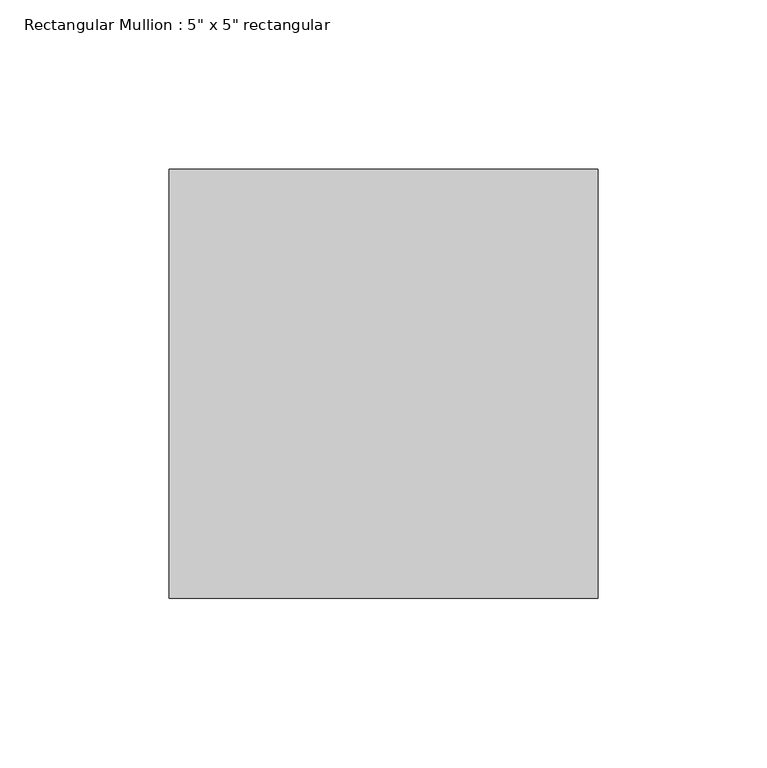
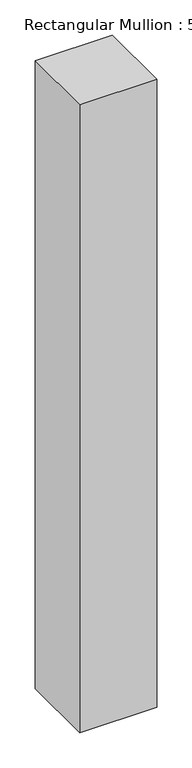
"""IFC4 building model written with IfcOpenShell, lengths in millimetres: member geometry."""

import ifcopenshell
import ifcopenshell.guid

model = None  # the IFC model being written
_history = None  # IfcOwnerHistory: only IFC2X3 demands one
_inside = {}  # id of a spatial element -> (the spatial element, [elements in it])
_under = {}  # id of a project, library or spatial element -> (it, [spatial elements below it])
_declared = {}  # id of a project -> (the project, [libraries it declares])
_typed = {}  # id of a type object -> (the type object, [elements of that type])
_made_of = {}  # id of a material, layer set ... -> (it, [elements and type objects made of it])


def new_model(schema):
    """Start an empty IFC model of exactly this schema.

    Asked for "IFC4X3", IfcOpenShell would pick the latest addendum, in which some entities
    have other attributes; the version numbers below select the first issue.
    IFC2X3 requires an IfcOwnerHistory on every rooted entity: one is made here for all.
    """
    global model, _history
    if schema == "IFC4X3":
        model = ifcopenshell.file(schema_version=(4, 3, 0, 0))
    else:
        model = ifcopenshell.file(schema=schema)
    _inside.clear()
    _under.clear()
    _declared.clear()
    _typed.clear()
    _made_of.clear()
    _history = None
    if model.schema == "IFC2X3":
        org = make("IfcOrganization", Name="unknown")
        user = make(
            "IfcPersonAndOrganization",
            ThePerson=make("IfcPerson", FamilyName="unknown"),
            TheOrganization=org,
        )
        app = make(
            "IfcApplication",
            ApplicationDeveloper=org,
            Version="unknown",
            ApplicationFullName="unknown",
            ApplicationIdentifier="unknown",
        )
        _history = make(
            "IfcOwnerHistory",
            OwningUser=user,
            OwningApplication=app,
            ChangeAction="ADDED",
            CreationDate=0,
        )
    return model


def make(cls, **values):
    """One entity of the class cls with the attributes given. An attribute that is None is left unset."""
    return model.create_entity(
        cls, **{name: value for name, value in values.items() if value is not None}
    )


def rooted(cls, **values):
    """An entity with a GlobalId (a new one), such as an element, a storey or a relation."""
    return make(cls, GlobalId=ifcopenshell.guid.new(), OwnerHistory=_history, **values)


def si_unit(unit_type, name, prefix=None):
    """IfcSIUnit, for example si_unit("LENGTHUNIT", "METRE", prefix="MILLI")."""
    return make("IfcSIUnit", UnitType=unit_type, Prefix=prefix, Name=name)


def assignment(units):
    """IfcUnitAssignment: the units of a project."""
    return None if units is None else make("IfcUnitAssignment", Units=units)


def point(xyz):
    """IfcCartesianPoint."""
    return None if xyz is None else make("IfcCartesianPoint", Coordinates=xyz)


def direction(xyz):
    """IfcDirection."""
    return None if xyz is None else make("IfcDirection", DirectionRatios=xyz)


def frame(location, z_axis=None, x_axis=None):
    """IfcAxis2Placement3D, a coordinate frame: its origin and axes. An axis left out is left unset."""
    return make(
        "IfcAxis2Placement3D",
        Location=point(location),
        Axis=direction(z_axis),
        RefDirection=direction(x_axis),
    )


def origin():
    """The frame at (0, 0, 0) with its axes left unset."""
    return frame((0.0, 0.0, 0.0))


def place(relative_to, where):
    """IfcLocalPlacement: puts the frame where relative to a parent placement (None: the world)."""
    return make(
        "IfcLocalPlacement", PlacementRelTo=relative_to, RelativePlacement=where
    )


def context(
    kind, dimensions, precision=None, world=None, true_north=None, identifier=None
):
    """IfcGeometricRepresentationContext, for example the 3D "Model" context."""
    return make(
        "IfcGeometricRepresentationContext",
        ContextIdentifier=identifier,
        ContextType=kind,
        CoordinateSpaceDimension=dimensions,
        Precision=precision,
        WorldCoordinateSystem=world,
        TrueNorth=true_north,
    )


def project(units=None, contexts=None):
    """IfcProject with its units and contexts."""
    return rooted(
        "IfcProject",
        Name="project",
        RepresentationContexts=contexts,
        UnitsInContext=assignment(units),
    )


def spatial(cls, under=None, at=None, **own):
    """A site, building, storey or space (cls), placed at a placement, below another one or the project."""
    s = rooted(cls, ObjectPlacement=at, **own)
    if under is not None:
        _under.setdefault(under.id(), (under, []))[1].append(s)
    return s


def polyline(points):
    """IfcPolyline through the points."""
    return make("IfcPolyline", Points=[point(p) for p in points])


def outline(outer, holes=None, kind="AREA"):
    """IfcArbitraryClosedProfileDef: a profile drawn as a closed curve; with holes, ...WithVoids."""
    if holes is None:
        return make("IfcArbitraryClosedProfileDef", ProfileType=kind, OuterCurve=outer)
    return make(
        "IfcArbitraryProfileDefWithVoids",
        ProfileType=kind,
        OuterCurve=outer,
        InnerCurves=holes,
    )


def extrude(swept, where, along, depth):
    """IfcExtrudedAreaSolid: the profile swept, set in the frame where, extruded along a direction by depth."""
    return make(
        "IfcExtrudedAreaSolid",
        SweptArea=swept,
        Position=where,
        ExtrudedDirection=direction(along),
        Depth=depth,
    )


def shape(context_of_items, identifier, shape_type, items):
    """IfcShapeRepresentation: the items that make up one representation, for example the "Body"."""
    return make(
        "IfcShapeRepresentation",
        ContextOfItems=context_of_items,
        RepresentationIdentifier=identifier,
        RepresentationType=shape_type,
        Items=items,
    )


def source(mapping_origin, context_of_items, identifier, shape_type, items):
    """IfcRepresentationMap: a shape defined once, which mapped items show again and again."""
    return make(
        "IfcRepresentationMap",
        MappingOrigin=mapping_origin,
        MappedRepresentation=shape(context_of_items, identifier, shape_type, items),
    )


def transform(
    local_origin,
    x_axis=None,
    y_axis=None,
    z_axis=None,
    scale=None,
    scale2=None,
    scale3=None,
    uniform=True,
):
    """IfcCartesianTransformationOperator3D, or its non-uniform kind. x_axis, y_axis, z_axis: its Axis1, 2, 3."""
    if uniform:
        return make(
            "IfcCartesianTransformationOperator3D",
            Axis1=direction(x_axis),
            Axis2=direction(y_axis),
            LocalOrigin=point(local_origin),
            Scale=scale,
            Axis3=direction(z_axis),
        )
    return make(
        "IfcCartesianTransformationOperator3DnonUniform",
        Axis1=direction(x_axis),
        Axis2=direction(y_axis),
        LocalOrigin=point(local_origin),
        Scale=scale,
        Axis3=direction(z_axis),
        Scale2=scale2,
        Scale3=scale3,
    )


def mapped(mapping_source, mapping_target):
    """IfcMappedItem: shows the shape of a source again, moved by a transform."""
    return make(
        "IfcMappedItem", MappingSource=mapping_source, MappingTarget=mapping_target
    )


def made_of(thing, what):
    """Note that an element or type object is made of a material, layer set ...; save() writes the relation."""
    if what is not None:
        _made_of.setdefault(what.id(), (what, []))[1].append(thing)
    return thing


def element(
    cls,
    number,
    at=None,
    inside=None,
    cuts=None,
    type_object=None,
    material=None,
    context=None,
    identifier="Body",
    shape_type=None,
    held_by="IfcProductDefinitionShape",
    body=None,
    shapes=None,
    **own,
):
    """One element of the class cls, such as IfcWall. Its Tag is "e" and its number.

    at: its placement. inside: the storey or other place that contains it. cuts: it is an
    opening in that element (IfcRelVoidsElement). A single representation is given by context,
    identifier, shape_type and body (its items); several are given by shapes. held_by: the class
    of the entity that holds the representations. save() writes the other relations.
    """
    e = rooted(cls, Tag="e%d" % number, ObjectPlacement=at, **own)
    if body is not None:
        shapes = [shape(context, identifier, shape_type, body)]
    if shapes is not None:
        e.Representation = make(held_by, Representations=shapes)
    if inside is not None:
        _inside.setdefault(inside.id(), (inside, []))[1].append(e)
    if cuts is not None:
        rooted(
            "IfcRelVoidsElement", RelatingBuildingElement=cuts, RelatedOpeningElement=e
        )
    if type_object is not None:
        _typed.setdefault(type_object.id(), (type_object, []))[1].append(e)
    return made_of(e, material)


def aggregate(whole, parts):
    """IfcRelAggregates: a whole, such as a stair, and the parts it consists of."""
    return rooted("IfcRelAggregates", RelatingObject=whole, RelatedObjects=parts)


def save(model, path):
    """Write the relations noted so far, then the file.

    IfcRelAggregates (storeys below a building ...), IfcRelContainedInSpatialStructure (elements
    in a storey), IfcRelDefinesByType, IfcRelAssociatesMaterial and IfcRelDeclares: one each for
    every whole, place, type object, material and project.
    """
    for whole, parts in _under.values():
        aggregate(whole, parts)
    for where, things in _inside.values():
        rooted(
            "IfcRelContainedInSpatialStructure",
            RelatedElements=things,
            RelatingStructure=where,
        )
    for kind, things in _typed.values():
        rooted("IfcRelDefinesByType", RelatedObjects=things, RelatingType=kind)
    for what, things in _made_of.values():
        rooted("IfcRelAssociatesMaterial", RelatedObjects=things, RelatingMaterial=what)
    for by, libraries in _declared.values():
        rooted("IfcRelDeclares", RelatingContext=by, RelatedDefinitions=libraries)
    model.write(path)


def member_cfb64040(model_context):
    return source(origin(), model_context, "Body", "SweptSolid", [
        extrude(outline(polyline([(0.0, 63.5), (0.0, -63.5), (-127.0, -63.5), (-127.0, 63.5), (0.0, 63.5)])), frame((0.0, 0.0, -1092.2), z_axis=(0.0, 0.0, 1.0), x_axis=(1.0, 0.0, 0.0)), (0.0, 0.0, 1.0), 1092.2),
    ])


if __name__ == "__main__":
    model = new_model("IFC4")
    model_context = context("Model", 3, world=origin())
    ifc_project = project(units=[si_unit("LENGTHUNIT", "METRE", prefix="MILLI")], contexts=[model_context])
    site = spatial("IfcSite", under=ifc_project)
    building = spatial("IfcBuilding", under=site)
    placement = place(None, origin())
    member_shape = member_cfb64040(model_context)
    element("IfcMember", 1, ObjectType="Rectangular Mullion : 5\" x 5\" rectangular", at=placement, inside=building, context=model_context, shape_type="MappedRepresentation", body=[
        mapped(member_shape, transform((0.0, 0.0, 0.0), x_axis=(1.0, 0.0, 0.0), y_axis=(0.0, 1.0, 0.0), z_axis=(0.0, 0.0, 1.0))),
    ])
    save(model, "model.ifc")
